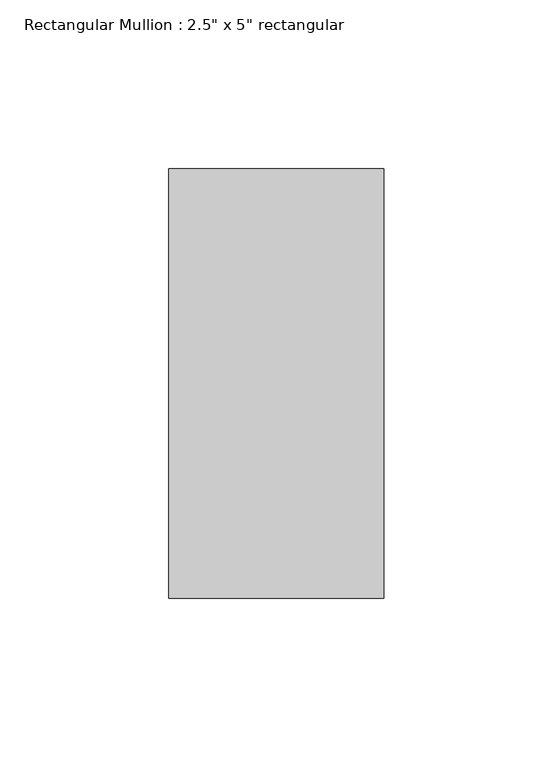
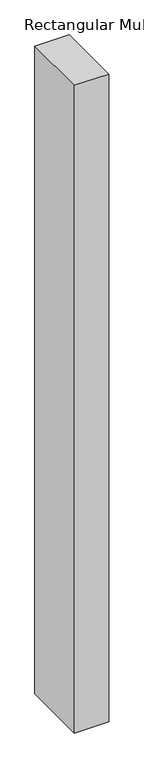
"""IFC4 building model written with IfcOpenShell, lengths in millimetres: member geometry."""

from ifc_helpers import new_model, si_unit, frame, origin, place, context, project, spatial, polyline, outline, extrude, source, transform, mapped, element, save


def member_7e0ecf3b(model_context):
    return source(origin(), model_context, "Body", "SweptSolid", [
        extrude(outline(polyline([(0.0, 63.5), (0.0, -63.5), (-63.5, -63.5), (-63.5, 63.5), (0.0, 63.5)])), frame((0.0, 0.0, -1271.1433073), z_axis=(0.0, 0.0, 1.0), x_axis=(1.0, 0.0, 0.0)), (0.0, 0.0, 1.0), 1271.1433073),
    ])


if __name__ == "__main__":
    model = new_model("IFC4")
    model_context = context("Model", 3, world=origin())
    ifc_project = project(units=[si_unit("LENGTHUNIT", "METRE", prefix="MILLI")], contexts=[model_context])
    site = spatial("IfcSite", under=ifc_project)
    building = spatial("IfcBuilding", under=site)
    placement = place(None, origin())
    member_shape = member_7e0ecf3b(model_context)
    element("IfcMember", 1, ObjectType="Rectangular Mullion : 2.5\" x 5\" rectangular", at=placement, inside=building, context=model_context, shape_type="MappedRepresentation", body=[
        mapped(member_shape, transform((0.0, 0.0, 0.0), x_axis=(1.0, 0.0, 0.0), y_axis=(0.0, 1.0, 0.0), z_axis=(0.0, 0.0, 1.0))),
    ])
    save(model, "model.ifc")
